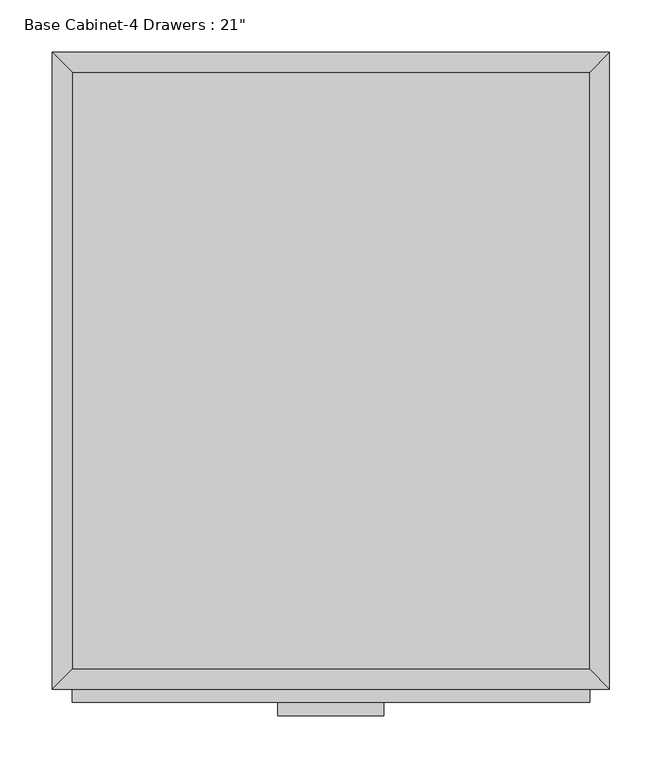
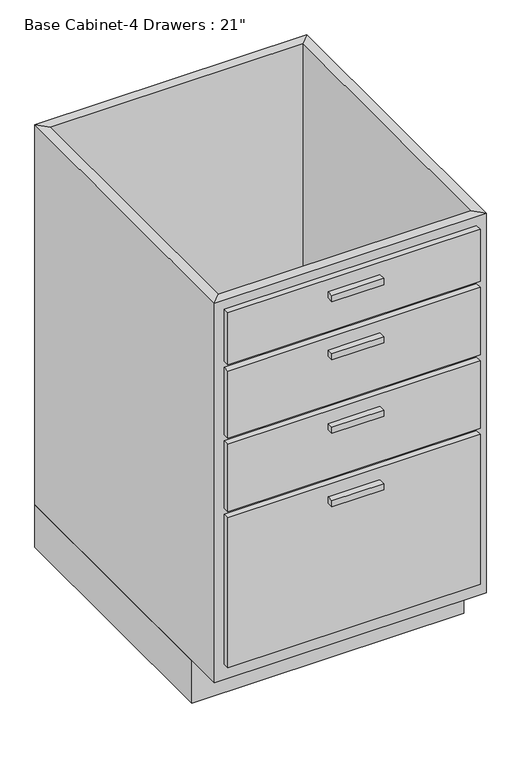
"""IFC4 building model written with IfcOpenShell, lengths in millimetres: furniture geometry."""

from ifc_helpers import new_model, si_unit, frame, origin, origin_with_axes, place, context, project, spatial, polyline, outline, extrude, faceted_brep, source, transform, mapped, element, save


def furniture_81a1514d(model_context):
    return source(origin(), model_context, "Body", "SolidModel", [
        extrude(outline(polyline([(69.5377049, -635.0), (-32.0622951, -635.0), (-32.0622951, -622.3), (69.5377049, -622.3), (69.5377049, -635.0)])), frame((0.0, 0.0, 819.15), z_axis=(0.0, 0.0, 1.0), x_axis=(1.0, 0.0, 0.0)), (0.0, 0.0, 1.0), 12.7),
        extrude(outline(polyline([(69.5377049, -635.0), (-32.0622951, -635.0), (-32.0622951, -622.3), (69.5377049, -622.3), (69.5377049, -635.0)])), frame((0.0, 0.0, 698.5), z_axis=(0.0, 0.0, 1.0), x_axis=(1.0, 0.0, 0.0)), (0.0, 0.0, 1.0), 12.7),
        extrude(outline(polyline([(69.5377049, -635.0), (-32.0622951, -635.0), (-32.0622951, -622.3), (69.5377049, -622.3), (69.5377049, -635.0)])), frame((0.0, 0.0, 546.1), z_axis=(0.0, 0.0, 1.0), x_axis=(1.0, 0.0, 0.0)), (0.0, 0.0, 1.0), 12.7),
        extrude(outline(polyline([(69.5377049, -635.0), (-32.0622951, -635.0), (-32.0622951, -622.3), (69.5377049, -622.3), (69.5377049, -635.0)])), frame((0.0, 0.0, 393.7), z_axis=(0.0, 0.0, 1.0), x_axis=(1.0, 0.0, 0.0)), (0.0, 0.0, 1.0), 12.7),
        extrude(outline(polyline([(266.3877049, -622.3), (-228.9122951, -622.3), (-228.9122951, -609.6), (266.3877049, -609.6), (266.3877049, -622.3)])), frame((0.0, 0.0, 749.3), z_axis=(0.0, 0.0, 1.0), x_axis=(1.0, 0.0, 0.0)), (0.0, 0.0, 1.0), 107.95),
        extrude(outline(polyline([(266.3877049, -622.3), (-228.9122951, -622.3), (-228.9122951, -609.6), (266.3877049, -609.6), (266.3877049, -622.3)])), frame((0.0, 0.0, 596.9), z_axis=(0.0, 0.0, 1.0), x_axis=(1.0, 0.0, 0.0)), (0.0, 0.0, 1.0), 139.7),
        extrude(outline(polyline([(266.3877049, -622.3), (-228.9122951, -622.3), (-228.9122951, -609.6), (266.3877049, -609.6), (266.3877049, -622.3)])), frame((0.0, 0.0, 444.5), z_axis=(0.0, 0.0, 1.0), x_axis=(1.0, 0.0, 0.0)), (0.0, 0.0, 1.0), 139.7),
        extrude(outline(polyline([(266.3877049, -622.3), (-228.9122951, -622.3), (-228.9122951, -609.6), (266.3877049, -609.6), (266.3877049, -622.3)])), frame((0.0, 0.0, 120.65), z_axis=(0.0, 0.0, 1.0), x_axis=(1.0, 0.0, 0.0)), (0.0, 0.0, 1.0), 311.15),
        extrude(outline(polyline([(266.3877049, -19.05), (266.3877049, -590.55), (-228.9122951, -590.55), (-228.9122951, -19.05), (266.3877049, -19.05)])), frame((0.0, 0.0, 88.9), z_axis=(0.0, 0.0, 1.0), x_axis=(1.0, 0.0, 0.0)), (0.0, 0.0, 1.0), 19.05),
        faceted_brep([(266.3877049, -590.55, 876.3), (266.3877049, -590.55, 88.9), (-228.9122951, -590.55, 88.9), (-228.9122951, -590.55, 876.3), (285.4377049, -609.6, 876.3), (-247.9622951, -609.6, 876.3), (285.4377049, -609.6, 88.9), (-247.9622951, -609.6, 88.9), (-228.9122951, -19.05, 88.9), (-228.9122951, -19.05, 876.3), (-247.9622951, 0.0, 876.3), (-247.9622951, 0.0, 88.9), (266.3877049, -19.05, 88.9), (266.3877049, -19.05, 876.3), (285.4377049, 0.0, 876.3), (285.4377049, 0.0, 88.9)], [[[0, 1, 2, 3]], [[4, 0, 3, 5]], [[6, 4, 5, 7]], [[1, 6, 7, 2]], [[3, 2, 8, 9]], [[5, 3, 9, 10]], [[7, 5, 10, 11]], [[2, 7, 11, 8]], [[9, 8, 12, 13]], [[10, 9, 13, 14]], [[11, 10, 14, 15]], [[8, 11, 15, 12]], [[13, 12, 1, 0]], [[14, 13, 0, 4]], [[15, 14, 4, 6]], [[12, 15, 6, 1]]]),
        extrude(outline(polyline([(285.4377049, 0.0), (285.4377049, -533.4), (-247.9622951, -533.4), (-247.9622951, 0.0), (285.4377049, 0.0)])), origin_with_axes(), (0.0, 0.0, 1.0), 88.9),
    ])


if __name__ == "__main__":
    model = new_model("IFC4")
    model_context = context("Model", 3, world=origin())
    ifc_project = project(units=[si_unit("LENGTHUNIT", "METRE", prefix="MILLI")], contexts=[model_context])
    site = spatial("IfcSite", under=ifc_project)
    building = spatial("IfcBuilding", under=site)
    placement = place(None, origin())
    furniture_shape = furniture_81a1514d(model_context)
    element("IfcFurniture", 1, ObjectType="Base Cabinet-4 Drawers : 21\"", at=placement, inside=building, context=model_context, shape_type="MappedRepresentation", body=[
        mapped(furniture_shape, transform((0.0, 0.0, 0.0), x_axis=(1.0, 0.0, 0.0), y_axis=(0.0, 1.0, 0.0), z_axis=(0.0, 0.0, 1.0))),
    ])
    save(model, "model.ifc")
